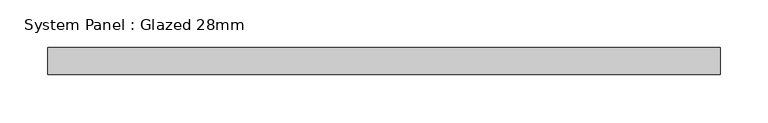
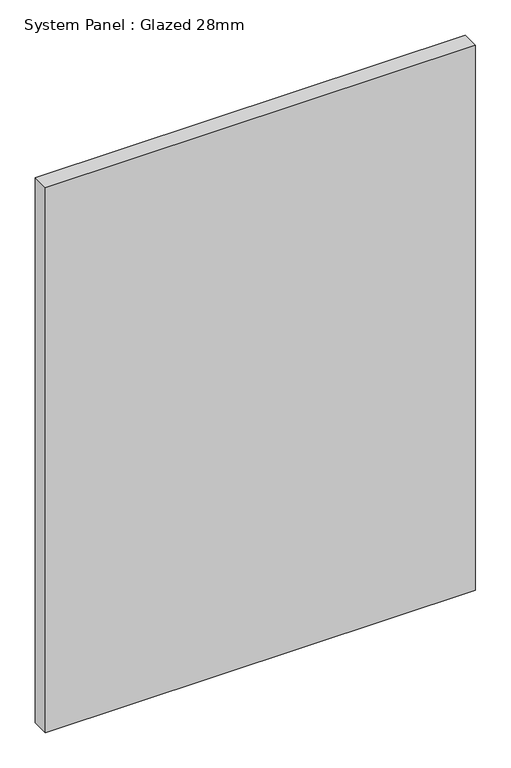
"""IFC4 building model written with IfcOpenShell, lengths in millimetres: plate geometry, System Panel : Glazed 28mm."""

from ifc_helpers import new_model, si_unit, origin, origin_with_axes, place, context, project, spatial, polyline, outline, extrude, source, transform, mapped, element, save


def system_panel_glazed_28mm_b110a379(model_context):
    return source(origin(), model_context, "Body", "SweptSolid", [
        extrude(outline(polyline([(350.0500179, -14.0), (-350.0500179, -14.0), (-350.0500179, 14.0), (350.0500179, 14.0), (350.0500179, -14.0)])), origin_with_axes(), (0.0, 0.0, 1.0), 938.0064583),
    ])


if __name__ == "__main__":
    model = new_model("IFC4")
    model_context = context("Model", 3, world=origin())
    ifc_project = project(units=[si_unit("LENGTHUNIT", "METRE", prefix="MILLI")], contexts=[model_context])
    site = spatial("IfcSite", under=ifc_project)
    building = spatial("IfcBuilding", under=site)
    placement = place(None, origin())
    system_panel_glazed_28mm_shape = system_panel_glazed_28mm_b110a379(model_context)
    element("IfcPlate", 1, ObjectType="System Panel : Glazed 28mm", at=placement, inside=building, context=model_context, shape_type="MappedRepresentation", body=[
        mapped(system_panel_glazed_28mm_shape, transform((0.0, 0.0, 0.0), x_axis=(1.0, 0.0, 0.0), y_axis=(0.0, 1.0, 0.0), z_axis=(0.0, 0.0, 1.0))),
    ])
    save(model, "model.ifc")
